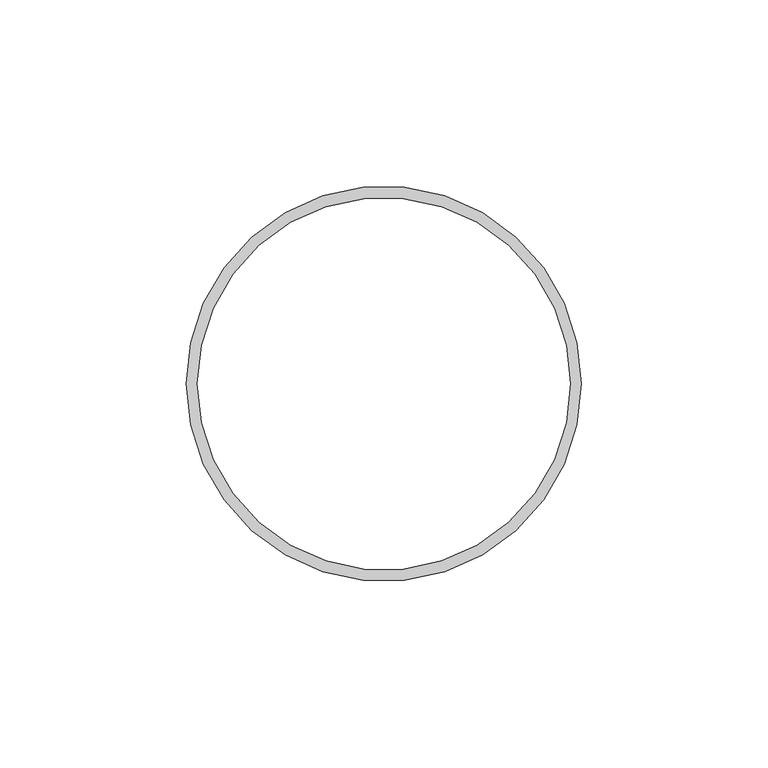
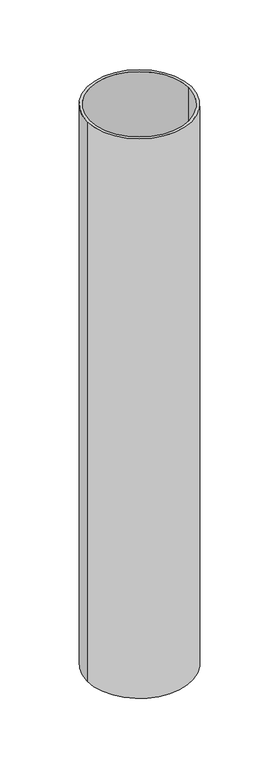
"""IFC4 building model written with IfcOpenShell, lengths in millimetres: beam geometry."""

from ifc_helpers import new_model, si_unit, point, frame, origin, origin_2d, place, context, project, spatial, circle_curve, trimmed, segment, composite_curve, outline, extrude, source, transform, mapped, element, save


def beam_f658ccc4(model_context):
    return source(origin(), model_context, "Body", "SweptSolid", [
        extrude(outline(composite_curve([segment(trimmed(circle_curve(origin_2d(), 53.0), [point((53.0, 0.0))], [point((-53.0, 0.0))], False, "CARTESIAN"), True, "CONTINUOUS"), segment(trimmed(circle_curve(origin_2d(), 53.0), [point((-53.0, 0.0))], [point((53.0, 0.0))], False, "CARTESIAN"), True, "CONTINUOUS")], self_intersect=False), holes=[composite_curve([segment(trimmed(circle_curve(origin_2d(), 50.0), [point((50.0, 0.0))], [point((-50.0, 0.0))], True, "CARTESIAN"), True, "CONTINUOUS"), segment(trimmed(circle_curve(origin_2d(), 50.0), [point((-50.0, 0.0))], [point((50.0, 0.0))], True, "CARTESIAN"), True, "CONTINUOUS")], self_intersect=False)]), frame((0.0, 0.0, -600.0), z_axis=(0.0, 0.0, 1.0), x_axis=(1.0, 0.0, 0.0)), (0.0, 0.0, 1.0), 600.0),
    ])


if __name__ == "__main__":
    model = new_model("IFC4")
    model_context = context("Model", 3, world=origin())
    ifc_project = project(units=[si_unit("LENGTHUNIT", "METRE", prefix="MILLI")], contexts=[model_context])
    site = spatial("IfcSite", under=ifc_project)
    building = spatial("IfcBuilding", under=site)
    placement = place(None, origin())
    beam_shape = beam_f658ccc4(model_context)
    element("IfcBeam", 1, at=placement, inside=building, context=model_context, shape_type="MappedRepresentation", body=[
        mapped(beam_shape, transform((0.0, 0.0, 0.0), x_axis=(1.0, 0.0, 0.0), y_axis=(0.0, 1.0, 0.0), z_axis=(0.0, 0.0, 1.0))),
    ])
    save(model, "model.ifc")
